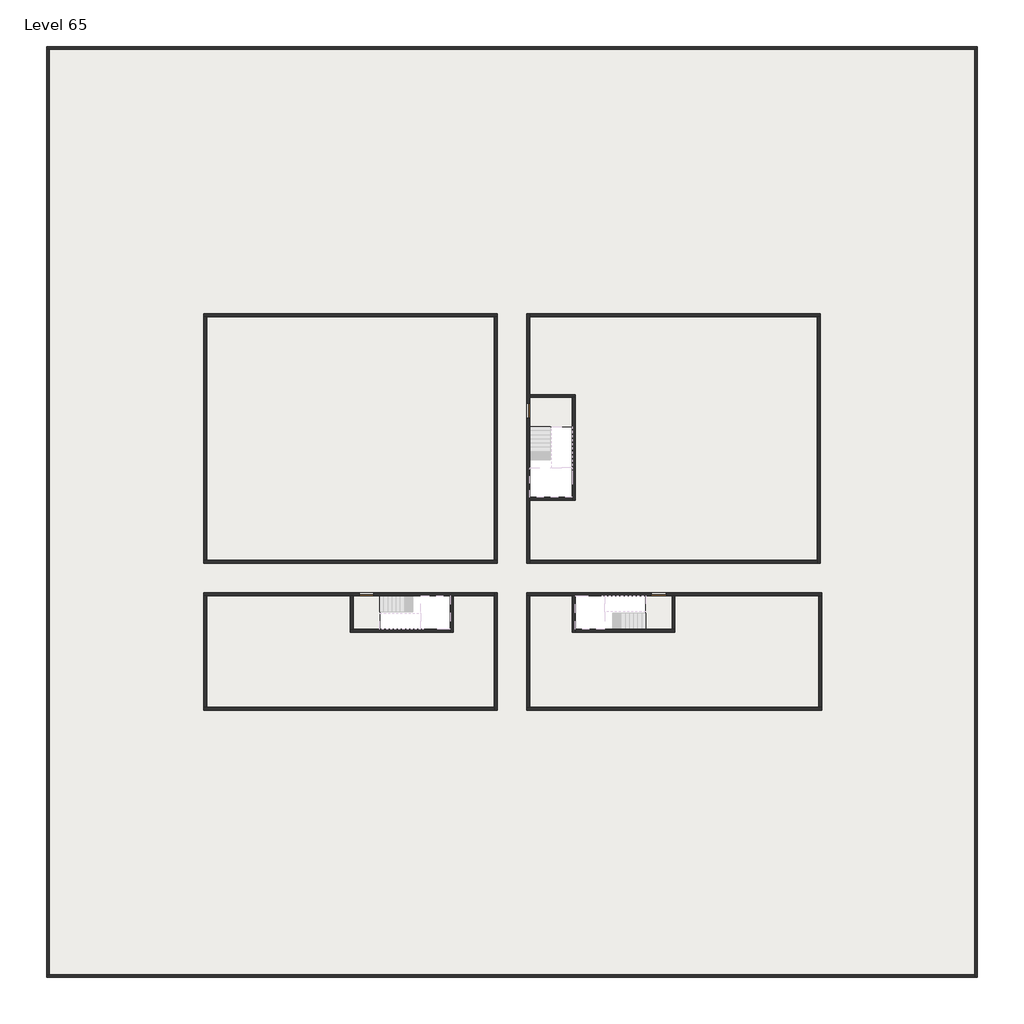
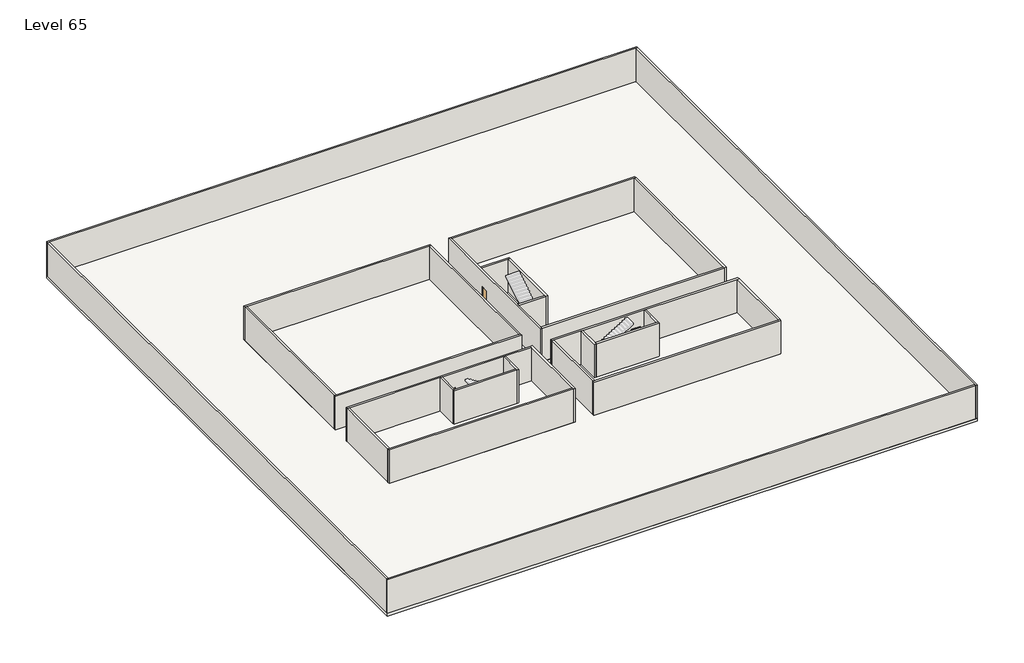
# One storey, part 1 of 2: 29 walls, 3 doors, 3 slabs.
"""IFC4 building model written with IfcOpenShell, lengths in millimetres."""

import ifcopenshell
import ifcopenshell.guid

model = None  # the IFC model being written
_history = None  # IfcOwnerHistory: only IFC2X3 demands one
_inside = {}  # id of a spatial element -> (the spatial element, [elements in it])
_under = {}  # id of a project, library or spatial element -> (it, [spatial elements below it])
_declared = {}  # id of a project -> (the project, [libraries it declares])
_typed = {}  # id of a type object -> (the type object, [elements of that type])
_made_of = {}  # id of a material, layer set ... -> (it, [elements and type objects made of it])


def new_model(schema):
    """Start an empty IFC model of exactly this schema.

    Asked for "IFC4X3", IfcOpenShell would pick the latest addendum, in which some entities
    have other attributes; the version numbers below select the first issue.
    IFC2X3 requires an IfcOwnerHistory on every rooted entity: one is made here for all.
    """
    global model, _history
    if schema == "IFC4X3":
        model = ifcopenshell.file(schema_version=(4, 3, 0, 0))
    else:
        model = ifcopenshell.file(schema=schema)
    _inside.clear()
    _under.clear()
    _declared.clear()
    _typed.clear()
    _made_of.clear()
    _history = None
    if model.schema == "IFC2X3":
        org = make("IfcOrganization", Name="unknown")
        user = make(
            "IfcPersonAndOrganization",
            ThePerson=make("IfcPerson", FamilyName="unknown"),
            TheOrganization=org,
        )
        app = make(
            "IfcApplication",
            ApplicationDeveloper=org,
            Version="unknown",
            ApplicationFullName="unknown",
            ApplicationIdentifier="unknown",
        )
        _history = make(
            "IfcOwnerHistory",
            OwningUser=user,
            OwningApplication=app,
            ChangeAction="ADDED",
            CreationDate=0,
        )
    return model


def make(cls, **values):
    """One entity of the class cls with the attributes given. An attribute that is None is left unset."""
    return model.create_entity(
        cls, **{name: value for name, value in values.items() if value is not None}
    )


def rooted(cls, **values):
    """An entity with a GlobalId (a new one), such as an element, a storey or a relation."""
    return make(cls, GlobalId=ifcopenshell.guid.new(), OwnerHistory=_history, **values)


def si_unit(unit_type, name, prefix=None):
    """IfcSIUnit, for example si_unit("LENGTHUNIT", "METRE", prefix="MILLI")."""
    return make("IfcSIUnit", UnitType=unit_type, Prefix=prefix, Name=name)


def assignment(units):
    """IfcUnitAssignment: the units of a project."""
    return None if units is None else make("IfcUnitAssignment", Units=units)


def point(xyz):
    """IfcCartesianPoint."""
    return None if xyz is None else make("IfcCartesianPoint", Coordinates=xyz)


def direction(xyz):
    """IfcDirection."""
    return None if xyz is None else make("IfcDirection", DirectionRatios=xyz)


def frame(location, z_axis=None, x_axis=None):
    """IfcAxis2Placement3D, a coordinate frame: its origin and axes. An axis left out is left unset."""
    return make(
        "IfcAxis2Placement3D",
        Location=point(location),
        Axis=direction(z_axis),
        RefDirection=direction(x_axis),
    )


def origin():
    """The frame at (0, 0, 0) with its axes left unset."""
    return frame((0.0, 0.0, 0.0))


def origin_with_axes():
    """The frame at (0, 0, 0) with the z axis (0, 0, 1) and the x axis (1, 0, 0) written out."""
    return frame((0.0, 0.0, 0.0), z_axis=(0.0, 0.0, 1.0), x_axis=(1.0, 0.0, 0.0))


def place(relative_to, where):
    """IfcLocalPlacement: puts the frame where relative to a parent placement (None: the world)."""
    return make(
        "IfcLocalPlacement", PlacementRelTo=relative_to, RelativePlacement=where
    )


def context(
    kind, dimensions, precision=None, world=None, true_north=None, identifier=None
):
    """IfcGeometricRepresentationContext, for example the 3D "Model" context."""
    return make(
        "IfcGeometricRepresentationContext",
        ContextIdentifier=identifier,
        ContextType=kind,
        CoordinateSpaceDimension=dimensions,
        Precision=precision,
        WorldCoordinateSystem=world,
        TrueNorth=true_north,
    )


def project(units=None, contexts=None):
    """IfcProject with its units and contexts."""
    return rooted(
        "IfcProject",
        Name="project",
        RepresentationContexts=contexts,
        UnitsInContext=assignment(units),
    )


def spatial(cls, under=None, at=None, **own):
    """A site, building, storey or space (cls), placed at a placement, below another one or the project."""
    s = rooted(cls, ObjectPlacement=at, **own)
    if under is not None:
        _under.setdefault(under.id(), (under, []))[1].append(s)
    return s


def polyline(points):
    """IfcPolyline through the points."""
    return make("IfcPolyline", Points=[point(p) for p in points])


def outline(outer, holes=None, kind="AREA"):
    """IfcArbitraryClosedProfileDef: a profile drawn as a closed curve; with holes, ...WithVoids."""
    if holes is None:
        return make("IfcArbitraryClosedProfileDef", ProfileType=kind, OuterCurve=outer)
    return make(
        "IfcArbitraryProfileDefWithVoids",
        ProfileType=kind,
        OuterCurve=outer,
        InnerCurves=holes,
    )


def extrude(swept, where, along, depth):
    """IfcExtrudedAreaSolid: the profile swept, set in the frame where, extruded along a direction by depth."""
    return make(
        "IfcExtrudedAreaSolid",
        SweptArea=swept,
        Position=where,
        ExtrudedDirection=direction(along),
        Depth=depth,
    )


def faces_of(points, faces, orient=None, outer=None):
    """IfcFace entities. A face is a list of loops; a loop is a list of indices into points, from 0.

    orient and outer hold one flag for each loop. By default every Orientation is true, the
    first loop of a face is its IfcFaceOuterBound and the others are IfcFaceBound.
    """
    made = []
    for i, loops in enumerate(faces):
        bounds = []
        for j, loop in enumerate(loops):
            is_outer = j == 0 if outer is None else outer[i][j]
            bounds.append(
                make(
                    "IfcFaceOuterBound" if is_outer else "IfcFaceBound",
                    Bound=make("IfcPolyLoop", Polygon=[points[k] for k in loop]),
                    Orientation=True if orient is None else orient[i][j],
                )
            )
        made.append(make("IfcFace", Bounds=bounds))
    return made


def faceted_brep(points, faces, orient=None, outer=None, voids=None):
    """IfcFacetedBrep: a solid bounded by flat faces; with voids (closed shells), ...WithVoids."""
    shared = [point(p) for p in points]
    hull = make("IfcClosedShell", CfsFaces=faces_of(shared, faces, orient, outer))
    if voids is None:
        return make("IfcFacetedBrep", Outer=hull)
    return make(
        "IfcFacetedBrepWithVoids",
        Outer=hull,
        Voids=[
            make(cls, CfsFaces=faces_of(shared, fs, o, b)) for cls, fs, o, b in voids
        ],
    )


def shape(context_of_items, identifier, shape_type, items):
    """IfcShapeRepresentation: the items that make up one representation, for example the "Body"."""
    return make(
        "IfcShapeRepresentation",
        ContextOfItems=context_of_items,
        RepresentationIdentifier=identifier,
        RepresentationType=shape_type,
        Items=items,
    )


def source(mapping_origin, context_of_items, identifier, shape_type, items):
    """IfcRepresentationMap: a shape defined once, which mapped items show again and again."""
    return make(
        "IfcRepresentationMap",
        MappingOrigin=mapping_origin,
        MappedRepresentation=shape(context_of_items, identifier, shape_type, items),
    )


def transform(
    local_origin,
    x_axis=None,
    y_axis=None,
    z_axis=None,
    scale=None,
    scale2=None,
    scale3=None,
    uniform=True,
):
    """IfcCartesianTransformationOperator3D, or its non-uniform kind. x_axis, y_axis, z_axis: its Axis1, 2, 3."""
    if uniform:
        return make(
            "IfcCartesianTransformationOperator3D",
            Axis1=direction(x_axis),
            Axis2=direction(y_axis),
            LocalOrigin=point(local_origin),
            Scale=scale,
            Axis3=direction(z_axis),
        )
    return make(
        "IfcCartesianTransformationOperator3DnonUniform",
        Axis1=direction(x_axis),
        Axis2=direction(y_axis),
        LocalOrigin=point(local_origin),
        Scale=scale,
        Axis3=direction(z_axis),
        Scale2=scale2,
        Scale3=scale3,
    )


def mapped(mapping_source, mapping_target):
    """IfcMappedItem: shows the shape of a source again, moved by a transform."""
    return make(
        "IfcMappedItem", MappingSource=mapping_source, MappingTarget=mapping_target
    )


def made_of(thing, what):
    """Note that an element or type object is made of a material, layer set ...; save() writes the relation."""
    if what is not None:
        _made_of.setdefault(what.id(), (what, []))[1].append(thing)
    return thing


def element(
    cls,
    number,
    at=None,
    inside=None,
    cuts=None,
    type_object=None,
    material=None,
    context=None,
    identifier="Body",
    shape_type=None,
    held_by="IfcProductDefinitionShape",
    body=None,
    shapes=None,
    **own,
):
    """One element of the class cls, such as IfcWall. Its Tag is "e" and its number.

    at: its placement. inside: the storey or other place that contains it. cuts: it is an
    opening in that element (IfcRelVoidsElement). A single representation is given by context,
    identifier, shape_type and body (its items); several are given by shapes. held_by: the class
    of the entity that holds the representations. save() writes the other relations.
    """
    e = rooted(cls, Tag="e%d" % number, ObjectPlacement=at, **own)
    if body is not None:
        shapes = [shape(context, identifier, shape_type, body)]
    if shapes is not None:
        e.Representation = make(held_by, Representations=shapes)
    if inside is not None:
        _inside.setdefault(inside.id(), (inside, []))[1].append(e)
    if cuts is not None:
        rooted(
            "IfcRelVoidsElement", RelatingBuildingElement=cuts, RelatedOpeningElement=e
        )
    if type_object is not None:
        _typed.setdefault(type_object.id(), (type_object, []))[1].append(e)
    return made_of(e, material)


def aggregate(whole, parts):
    """IfcRelAggregates: a whole, such as a stair, and the parts it consists of."""
    return rooted("IfcRelAggregates", RelatingObject=whole, RelatedObjects=parts)


def save(model, path):
    """Write the relations noted so far, then the file.

    IfcRelAggregates (storeys below a building ...), IfcRelContainedInSpatialStructure (elements
    in a storey), IfcRelDefinesByType, IfcRelAssociatesMaterial and IfcRelDeclares: one each for
    every whole, place, type object, material and project.
    """
    for whole, parts in _under.values():
        aggregate(whole, parts)
    for where, things in _inside.values():
        rooted(
            "IfcRelContainedInSpatialStructure",
            RelatedElements=things,
            RelatingStructure=where,
        )
    for kind, things in _typed.values():
        rooted("IfcRelDefinesByType", RelatedObjects=things, RelatingType=kind)
    for what, things in _made_of.values():
        rooted("IfcRelAssociatesMaterial", RelatedObjects=things, RelatingMaterial=what)
    for by, libraries in _declared.values():
        rooted("IfcRelDeclares", RelatingContext=by, RelatedDefinitions=libraries)
    model.write(path)


def door_fb3c37fd(model_context):
    return source(origin(), model_context, "Body", "SweptSolid", [
        extrude(outline(polyline([(500.0, 49.0), (-500.0, 49.0), (-500.0, 100.0), (500.0, 100.0), (500.0, 49.0)])), origin_with_axes(), (0.0, 0.0, 1.0), 2100.0),
    ])


def door_0317a72c(model_context):
    return source(origin(), model_context, "Body", "SweptSolid", [
        extrude(outline(polyline([(500.0, -49.0), (500.0, -100.0), (-500.0, -100.0), (-500.0, -49.0), (500.0, -49.0)])), origin_with_axes(), (0.0, 0.0, 1.0), 2100.0),
    ])


model = new_model("IFC4")

# Units and contexts
model_context = context("Model", 3, world=origin())
ifc_project = project(units=[si_unit("LENGTHUNIT", "METRE", prefix="MILLI")], contexts=[model_context])

# Site, building, storey
site = spatial("IfcSite", under=ifc_project)
building = spatial("IfcBuilding", under=site)
storey = spatial("IfcBuildingStorey", under=building, Name="Level 65", Elevation=243200.0)

# Doors
placement = place(None, origin())
door_shape = door_fb3c37fd(model_context)
element("IfcDoor", 1, at=placement, inside=storey, context=model_context, shape_type="MappedRepresentation", body=[
    mapped(door_shape, transform((14290.1058784, -42818.09644, 243200.0), x_axis=(-1.0, 0.0, 0.0), y_axis=(0.0, -1.0, 0.0), z_axis=(0.0, 0.0, 1.0))),
])
door_2_shape = door_0317a72c(model_context)
element("IfcDoor", 2, at=placement, inside=storey, context=model_context, shape_type="MappedRepresentation", body=[
    mapped(door_2_shape, transform((25290.1058784, -30318.09644, 243200.0), x_axis=(0.0, 1.0, 0.0), y_axis=(-1.0, 0.0, 0.0), z_axis=(0.0, 0.0, 1.0))),
])
element("IfcDoor", 3, at=placement, inside=storey, context=model_context, shape_type="MappedRepresentation", body=[
    mapped(door_2_shape, transform((34190.1058784, -42818.09644, 243200.0), x_axis=(1.0, 0.0, 0.0), y_axis=(0.0, 1.0, 0.0), z_axis=(0.0, 0.0, 1.0))),
])

# Slabs
element("IfcSlab", 4, at=placement, inside=storey, context=model_context, shape_type="SweptSolid", body=[
    extrude(outline(polyline([(55890.1058784, -5518.09644), (55890.1058784, -68918.09644), (-7509.8941216, -68918.09644), (-7509.8941216, -5518.09644), (55890.1058784, -5518.09644)]), holes=[polyline([(23190.1058784, -23718.09644), (3190.1058784, -23718.09644), (3190.1058784, -40718.09644), (23190.1058784, -40718.09644), (23190.1058784, -23718.09644)]), polyline([(45190.1058784, -23718.09644), (25190.1058784, -23718.09644), (25190.1058784, -40718.09644), (45190.1058784, -40718.09644), (45190.1058784, -23718.09644)]), polyline([(23190.1058784, -50718.09644), (23190.1058784, -42718.09644), (3390.1058784, -42718.09644), (3390.1058784, -50718.09644), (23190.1058784, -50718.09644)]), polyline([(25190.1058784, -50718.09644), (45190.1058784, -50718.09644), (45190.1058784, -42718.09644), (25190.1058784, -42718.09644), (25190.1058784, -50718.09644)])]), frame((0.0, 0.0, 242900.0), z_axis=(0.0, 0.0, 1.0), x_axis=(1.0, 0.0, 0.0)), (0.0, 0.0, 1.0), 300.0),
])
element("IfcSlab", 5, at=placement, inside=storey, context=model_context, shape_type="SweptSolid", body=[
    extrude(outline(polyline([(22990.1058784, -23918.09644), (22990.1058784, -40518.09644), (3390.1058784, -40518.09644), (3390.1058784, -23918.09644), (22990.1058784, -23918.09644)])), frame((0.0, 0.0, 242900.0), z_axis=(0.0, 0.0, 1.0), x_axis=(1.0, 0.0, 0.0)), (0.0, 0.0, 1.0), 300.0),
    extrude(outline(polyline([(44990.1058784, -23918.09644), (44990.1058784, -40518.09644), (25390.1058784, -40518.09644), (25390.1058784, -36418.09644), (28490.1058784, -36418.09644), (28490.1058784, -29218.09644), (25390.1058784, -29218.09644), (25390.1058784, -23918.09644), (44990.1058784, -23918.09644)])), frame((0.0, 0.0, 242900.0), z_axis=(0.0, 0.0, 1.0), x_axis=(1.0, 0.0, 0.0)), (0.0, 0.0, 1.0), 300.0),
    extrude(outline(polyline([(22990.1058784, -42918.09644), (22990.1058784, -50518.09644), (3390.1058784, -50518.09644), (3390.1058784, -42918.09644), (13190.1058784, -42918.09644), (13190.1058784, -45418.09644), (20190.1058784, -45418.09644), (20190.1058784, -42918.09644), (22990.1058784, -42918.09644)])), frame((0.0, 0.0, 242900.0), z_axis=(0.0, 0.0, 1.0), x_axis=(1.0, 0.0, 0.0)), (0.0, 0.0, 1.0), 300.0),
    extrude(outline(polyline([(28290.1058784, -42918.09644), (28290.1058784, -45418.09644), (35290.1058784, -45418.09644), (35290.1058784, -42918.09644), (45090.1058784, -42918.09644), (45090.1058784, -50518.09644), (25390.1058784, -50518.09644), (25390.1058784, -42918.09644), (28290.1058784, -42918.09644)])), frame((0.0, 0.0, 242900.0), z_axis=(0.0, 0.0, 1.0), x_axis=(1.0, 0.0, 0.0)), (0.0, 0.0, 1.0), 300.0),
])
element("IfcSlab", 6, at=placement, inside=storey, context=model_context, shape_type="SweptSolid", body=[
    extrude(outline(polyline([(25190.1058784, -29418.09644), (28290.1058784, -29418.09644), (28290.1058784, -31418.09644), (25190.1058784, -31418.09644), (25190.1058784, -29418.09644)])), frame((0.0, 0.0, 242900.0), z_axis=(0.0, 0.0, 1.0), x_axis=(1.0, 0.0, 0.0)), (0.0, 0.0, 1.0), 300.0),
    extrude(outline(polyline([(15190.1058784, -45218.09644), (13390.1058784, -45218.09644), (13390.1058784, -42718.09644), (15190.1058784, -42718.09644), (15190.1058784, -45218.09644)])), frame((0.0, 0.0, 242900.0), z_axis=(0.0, 0.0, 1.0), x_axis=(1.0, 0.0, 0.0)), (0.0, 0.0, 1.0), 300.0),
    extrude(outline(polyline([(35090.1058784, -45218.09644), (33290.1058784, -45218.09644), (33290.1058784, -42718.09644), (35090.1058784, -42718.09644), (35090.1058784, -45218.09644)])), frame((0.0, 0.0, 242900.0), z_axis=(0.0, 0.0, 1.0), x_axis=(1.0, 0.0, 0.0)), (0.0, 0.0, 1.0), 300.0),
])

# Walls
element("IfcWall", 7, at=placement, inside=storey, context=model_context, shape_type="Brep", body=[
    faceted_brep([(-7509.8941216, -5718.09644, 243200.0), (-7309.8941216, -5718.09644, 243200.0), (55690.1058784, -5718.09644, 243200.0), (55890.1058784, -5718.09644, 243200.0), (55890.1058784, -5718.09644, 247000.0), (55690.1058784, -5718.09644, 247000.0), (-7309.8941216, -5718.09644, 247000.0), (-7509.8941216, -5718.09644, 247000.0), (-7509.8941216, -5518.09644, 243200.0), (-7509.8941216, -5518.09644, 247000.0), (55890.1058784, -5518.09644, 247000.0), (55890.1058784, -5518.09644, 243200.0)], [[[0, 1, 2, 3, 4, 5, 6, 7]], [[8, 9, 10, 11]], [[3, 2, 1, 0, 8, 11]], [[7, 6, 5, 4, 10, 9]], [[4, 3, 11, 10]], [[0, 7, 9, 8]]]),
])
element("IfcWall", 8, at=placement, inside=storey, context=model_context, shape_type="Brep", body=[
    faceted_brep([(55690.1058784, -5718.09644, 243200.0), (55690.1058784, -68718.09644, 243200.0), (55690.1058784, -68918.09644, 243200.0), (55690.1058784, -68918.09644, 247000.0), (55690.1058784, -68718.09644, 247000.0), (55690.1058784, -5718.09644, 247000.0), (55890.1058784, -5718.09644, 243200.0), (55890.1058784, -5718.09644, 247000.0), (55890.1058784, -68918.09644, 247000.0), (55890.1058784, -68918.09644, 243200.0)], [[[0, 1, 2, 3, 4, 5]], [[6, 7, 8, 9]], [[2, 1, 0, 6, 9]], [[5, 4, 3, 8, 7]], [[0, 5, 7, 6]], [[3, 2, 9, 8]]]),
])
element("IfcWall", 9, at=placement, inside=storey, context=model_context, shape_type="Brep", body=[
    faceted_brep([(55690.1058784, -68718.09644, 243200.0), (-7309.8941216, -68718.09644, 243200.0), (-7509.8941216, -68718.09644, 243200.0), (-7509.8941216, -68718.09644, 247000.0), (-7309.8941216, -68718.09644, 247000.0), (55690.1058784, -68718.09644, 247000.0), (55690.1058784, -68918.09644, 243200.0), (55690.1058784, -68918.09644, 247000.0), (-7509.8941216, -68918.09644, 247000.0), (-7509.8941216, -68918.09644, 243200.0)], [[[0, 1, 2, 3, 4, 5]], [[6, 7, 8, 9]], [[2, 1, 0, 6, 9]], [[5, 4, 3, 8, 7]], [[0, 5, 7, 6]], [[3, 2, 9, 8]]]),
])
element("IfcWall", 10, at=placement, inside=storey, context=model_context, shape_type="SweptSolid", body=[
    extrude(outline(polyline([(-7309.8941216, -5718.09644), (-7309.8941216, -68718.09644), (-7509.8941216, -68718.09644), (-7509.8941216, -5718.09644), (-7309.8941216, -5718.09644)])), frame((0.0, 0.0, 243200.0), z_axis=(0.0, 0.0, 1.0), x_axis=(1.0, 0.0, 0.0)), (0.0, 0.0, 1.0), 3800.0),
])
element("IfcWall", 11, at=placement, inside=storey, context=model_context, shape_type="Brep", body=[
    faceted_brep([(3190.1058784, -23918.09644, 243200.0), (3390.1058784, -23918.09644, 243200.0), (22990.1058784, -23918.09644, 243200.0), (23190.1058784, -23918.09644, 243200.0), (23190.1058784, -23918.09644, 247000.0), (22990.1058784, -23918.09644, 247000.0), (3390.1058784, -23918.09644, 247000.0), (3190.1058784, -23918.09644, 247000.0), (3190.1058784, -23718.09644, 243200.0), (3190.1058784, -23718.09644, 247000.0), (23190.1058784, -23718.09644, 247000.0), (23190.1058784, -23718.09644, 243200.0)], [[[0, 1, 2, 3, 4, 5, 6, 7]], [[8, 9, 10, 11]], [[3, 2, 1, 0, 8, 11]], [[7, 6, 5, 4, 10, 9]], [[0, 7, 9, 8]], [[4, 3, 11, 10]]]),
])
element("IfcWall", 12, at=placement, inside=storey, context=model_context, shape_type="Brep", body=[
    faceted_brep([(44990.1058784, -23918.09644, 243200.0), (44990.1058784, -40518.09644, 243200.0), (44990.1058784, -40718.09644, 243200.0), (44990.1058784, -40718.09644, 247000.0), (44990.1058784, -40518.09644, 247000.0), (44990.1058784, -23918.09644, 247000.0), (45190.1058784, -23918.09644, 243200.0), (45190.1058784, -23918.09644, 247000.0), (45190.1058784, -40718.09644, 247000.0), (45190.1058784, -40718.09644, 243200.0)], [[[0, 1, 2, 3, 4, 5]], [[6, 7, 8, 9]], [[2, 1, 0, 6, 9]], [[5, 4, 3, 8, 7]], [[3, 2, 9, 8]], [[0, 5, 7, 6]]]),
])
element("IfcWall", 13, at=placement, inside=storey, context=model_context, shape_type="Brep", body=[
    faceted_brep([(45290.1058784, -50518.09644, 243200.0), (45090.1058784, -50518.09644, 243200.0), (25390.1058784, -50518.09644, 243200.0), (25190.1058784, -50518.09644, 243200.0), (25190.1058784, -50518.09644, 247000.0), (25390.1058784, -50518.09644, 247000.0), (45090.1058784, -50518.09644, 247000.0), (45290.1058784, -50518.09644, 247000.0), (45290.1058784, -50718.09644, 243200.0), (45290.1058784, -50718.09644, 247000.0), (25190.1058784, -50718.09644, 247000.0), (25190.1058784, -50718.09644, 243200.0)], [[[0, 1, 2, 3, 4, 5, 6, 7]], [[8, 9, 10, 11]], [[3, 2, 1, 0, 8, 11]], [[7, 6, 5, 4, 10, 9]], [[4, 3, 11, 10]], [[0, 7, 9, 8]]]),
])
element("IfcWall", 14, at=placement, inside=storey, context=model_context, shape_type="SweptSolid", body=[
    extrude(outline(polyline([(22990.1058784, -40518.09644), (22990.1058784, -23918.09644), (23190.1058784, -23918.09644), (23190.1058784, -40518.09644), (22990.1058784, -40518.09644)])), frame((0.0, 0.0, 243200.0), z_axis=(0.0, 0.0, 1.0), x_axis=(1.0, 0.0, 0.0)), (0.0, 0.0, 1.0), 3800.0),
])
element("IfcWall", 15, at=placement, inside=storey, context=model_context, shape_type="Brep", body=[
    faceted_brep([(23190.1058784, -40518.09644, 243200.0), (22990.1058784, -40518.09644, 243200.0), (3390.1058784, -40518.09644, 243200.0), (3190.1058784, -40518.09644, 243200.0), (3190.1058784, -40518.09644, 247000.0), (3390.1058784, -40518.09644, 247000.0), (22990.1058784, -40518.09644, 247000.0), (23190.1058784, -40518.09644, 247000.0), (23190.1058784, -40718.09644, 243200.0), (23190.1058784, -40718.09644, 247000.0), (3190.1058784, -40718.09644, 247000.0), (3190.1058784, -40718.09644, 243200.0)], [[[0, 1, 2, 3, 4, 5, 6, 7]], [[8, 9, 10, 11]], [[3, 2, 1, 0, 8, 11]], [[7, 6, 5, 4, 10, 9]], [[4, 3, 11, 10]], [[0, 7, 9, 8]]]),
])
element("IfcWall", 16, at=placement, inside=storey, context=model_context, shape_type="Brep", body=[
    faceted_brep([(3190.1058784, -42918.09644, 243200.0), (3390.1058784, -42918.09644, 243200.0), (13190.1058784, -42918.09644, 243200.0), (13390.1058784, -42918.09644, 243200.0), (13790.1058784, -42918.09644, 243200.0), (13790.1058784, -42918.09644, 245300.0), (14790.1058784, -42918.09644, 245300.0), (14790.1058784, -42918.09644, 243200.0), (19990.1058784, -42918.09644, 243200.0), (20190.1058784, -42918.09644, 243200.0), (22990.1058784, -42918.09644, 243200.0), (22990.1058784, -42918.09644, 247000.0), (20190.1058784, -42918.09644, 247000.0), (19990.1058784, -42918.09644, 247000.0), (13390.1058784, -42918.09644, 247000.0), (13190.1058784, -42918.09644, 247000.0), (3390.1058784, -42918.09644, 247000.0), (3190.1058784, -42918.09644, 247000.0), (13790.1058784, -42718.09644, 245300.0), (13790.1058784, -42718.09644, 243200.0), (3190.1058784, -42718.09644, 243200.0), (3190.1058784, -42718.09644, 247000.0), (22990.1058784, -42718.09644, 247000.0), (22990.1058784, -42718.09644, 243200.0), (14790.1058784, -42718.09644, 243200.0), (14790.1058784, -42718.09644, 245300.0)], [[[0, 1, 2, 3, 4, 5, 6, 7, 8, 9, 10, 11, 12, 13, 14, 15, 16, 17]], [[18, 19, 20, 21, 22, 23, 24, 25]], [[24, 23, 10, 9, 8, 7]], [[20, 19, 4, 3, 2, 1, 0]], [[17, 16, 15, 14, 13, 12, 11, 22, 21]], [[5, 4, 19, 18]], [[6, 5, 18, 25]], [[7, 6, 25, 24]], [[0, 17, 21, 20]], [[11, 10, 23, 22]]]),
])
element("IfcWall", 17, at=placement, inside=storey, context=model_context, shape_type="SweptSolid", body=[
    extrude(outline(polyline([(25390.1058784, -40518.09644), (44990.1058784, -40518.09644), (44990.1058784, -40718.09644), (25390.1058784, -40718.09644), (25390.1058784, -40518.09644)])), frame((0.0, 0.0, 243200.0), z_axis=(0.0, 0.0, 1.0), x_axis=(1.0, 0.0, 0.0)), (0.0, 0.0, 1.0), 3800.0),
])
element("IfcWall", 18, at=placement, inside=storey, context=model_context, shape_type="Brep", body=[
    faceted_brep([(25390.1058784, -29818.09644, 245300.0), (25390.1058784, -29818.09644, 243200.0), (25390.1058784, -29418.09644, 243200.0), (25390.1058784, -29218.09644, 243200.0), (25390.1058784, -23918.09644, 243200.0), (25390.1058784, -23718.09644, 243200.0), (25390.1058784, -23718.09644, 247000.0), (25390.1058784, -23918.09644, 247000.0), (25390.1058784, -29218.09644, 247000.0), (25390.1058784, -29418.09644, 247000.0), (25390.1058784, -36218.09644, 247000.0), (25390.1058784, -36418.09644, 247000.0), (25390.1058784, -40518.09644, 247000.0), (25390.1058784, -40718.09644, 247000.0), (25390.1058784, -40718.09644, 243200.0), (25390.1058784, -40518.09644, 243200.0), (25390.1058784, -36418.09644, 243200.0), (25390.1058784, -36218.09644, 243200.0), (25390.1058784, -30818.09644, 243200.0), (25390.1058784, -30818.09644, 245300.0), (25190.1058784, -23718.09644, 243200.0), (25190.1058784, -29818.09644, 243200.0), (25190.1058784, -29818.09644, 245300.0), (25190.1058784, -30818.09644, 245300.0), (25190.1058784, -30818.09644, 243200.0), (25190.1058784, -40718.09644, 243200.0), (25190.1058784, -40718.09644, 247000.0), (25190.1058784, -23718.09644, 247000.0)], [[[0, 1, 2, 3, 4, 5, 6, 7, 8, 9, 10, 11, 12, 13, 14, 15, 16, 17, 18, 19]], [[20, 21, 22, 23, 24, 25, 26, 27]], [[5, 4, 3, 2, 1, 21, 20]], [[18, 17, 16, 15, 14, 25, 24]], [[13, 12, 11, 10, 9, 8, 7, 6, 27, 26]], [[22, 21, 1, 0]], [[23, 22, 0, 19]], [[24, 23, 19, 18]], [[14, 13, 26, 25]], [[6, 5, 20, 27]]]),
])
element("IfcWall", 19, at=placement, inside=storey, context=model_context, shape_type="SweptSolid", body=[
    extrude(outline(polyline([(3390.1058784, -23918.09644), (3390.1058784, -40518.09644), (3190.1058784, -40518.09644), (3190.1058784, -23918.09644), (3390.1058784, -23918.09644)])), frame((0.0, 0.0, 243200.0), z_axis=(0.0, 0.0, 1.0), x_axis=(1.0, 0.0, 0.0)), (0.0, 0.0, 1.0), 3800.0),
])
element("IfcWall", 20, at=placement, inside=storey, context=model_context, shape_type="Brep", body=[
    faceted_brep([(25390.1058784, -23918.09644, 243200.0), (44990.1058784, -23918.09644, 243200.0), (45190.1058784, -23918.09644, 243200.0), (45190.1058784, -23918.09644, 247000.0), (44990.1058784, -23918.09644, 247000.0), (25390.1058784, -23918.09644, 247000.0), (25390.1058784, -23718.09644, 243200.0), (25390.1058784, -23718.09644, 247000.0), (45190.1058784, -23718.09644, 247000.0), (45190.1058784, -23718.09644, 243200.0)], [[[0, 1, 2, 3, 4, 5]], [[6, 7, 8, 9]], [[2, 1, 0, 6, 9]], [[5, 4, 3, 8, 7]], [[3, 2, 9, 8]], [[0, 5, 7, 6]]]),
])
element("IfcWall", 21, at=placement, inside=storey, context=model_context, shape_type="Brep", body=[
    faceted_brep([(25390.1058784, -29418.09644, 243200.0), (28290.1058784, -29418.09644, 243200.0), (28490.1058784, -29418.09644, 243200.0), (28490.1058784, -29418.09644, 247000.0), (28290.1058784, -29418.09644, 247000.0), (25390.1058784, -29418.09644, 247000.0), (25390.1058784, -29218.09644, 243200.0), (25390.1058784, -29218.09644, 247000.0), (28490.1058784, -29218.09644, 247000.0), (28490.1058784, -29218.09644, 243200.0)], [[[0, 1, 2, 3, 4, 5]], [[6, 7, 8, 9]], [[2, 1, 0, 6, 9]], [[5, 4, 3, 8, 7]], [[3, 2, 9, 8]], [[0, 5, 7, 6]]]),
])
element("IfcWall", 22, at=placement, inside=storey, context=model_context, shape_type="Brep", body=[
    faceted_brep([(28290.1058784, -29418.09644, 243200.0), (28290.1058784, -36218.09644, 243200.0), (28290.1058784, -36418.09644, 243200.0), (28290.1058784, -36418.09644, 247000.0), (28290.1058784, -36218.09644, 247000.0), (28290.1058784, -29418.09644, 247000.0), (28490.1058784, -29418.09644, 243200.0), (28490.1058784, -29418.09644, 247000.0), (28490.1058784, -36418.09644, 247000.0), (28490.1058784, -36418.09644, 243200.0)], [[[0, 1, 2, 3, 4, 5]], [[6, 7, 8, 9]], [[2, 1, 0, 6, 9]], [[5, 4, 3, 8, 7]], [[3, 2, 9, 8]], [[0, 5, 7, 6]]]),
])
element("IfcWall", 23, at=placement, inside=storey, context=model_context, shape_type="SweptSolid", body=[
    extrude(outline(polyline([(25390.1058784, -36218.09644), (28290.1058784, -36218.09644), (28290.1058784, -36418.09644), (25390.1058784, -36418.09644), (25390.1058784, -36218.09644)])), frame((0.0, 0.0, 243200.0), z_axis=(0.0, 0.0, 1.0), x_axis=(1.0, 0.0, 0.0)), (0.0, 0.0, 1.0), 3800.0),
])
element("IfcWall", 24, at=placement, inside=storey, context=model_context, shape_type="SweptSolid", body=[
    extrude(outline(polyline([(25190.1058784, -50518.09644), (25190.1058784, -42918.09644), (25390.1058784, -42918.09644), (25390.1058784, -50518.09644), (25190.1058784, -50518.09644)])), frame((0.0, 0.0, 243200.0), z_axis=(0.0, 0.0, 1.0), x_axis=(1.0, 0.0, 0.0)), (0.0, 0.0, 1.0), 3800.0),
])
element("IfcWall", 25, at=placement, inside=storey, context=model_context, shape_type="Brep", body=[
    faceted_brep([(22990.1058784, -42718.09644, 243200.0), (22990.1058784, -42918.09644, 243200.0), (22990.1058784, -50518.09644, 243200.0), (22990.1058784, -50718.09644, 243200.0), (22990.1058784, -50718.09644, 247000.0), (22990.1058784, -50518.09644, 247000.0), (22990.1058784, -42918.09644, 247000.0), (22990.1058784, -42718.09644, 247000.0), (23190.1058784, -42718.09644, 243200.0), (23190.1058784, -42718.09644, 247000.0), (23190.1058784, -50718.09644, 247000.0), (23190.1058784, -50718.09644, 243200.0)], [[[0, 1, 2, 3, 4, 5, 6, 7]], [[8, 9, 10, 11]], [[3, 2, 1, 0, 8, 11]], [[7, 6, 5, 4, 10, 9]], [[4, 3, 11, 10]], [[0, 7, 9, 8]]]),
])
element("IfcWall", 26, at=placement, inside=storey, context=model_context, shape_type="Brep", body=[
    faceted_brep([(34690.1058784, -42918.09644, 245300.0), (34690.1058784, -42918.09644, 243200.0), (35090.1058784, -42918.09644, 243200.0), (35290.1058784, -42918.09644, 243200.0), (45090.1058784, -42918.09644, 243200.0), (45290.1058784, -42918.09644, 243200.0), (45290.1058784, -42918.09644, 247000.0), (45090.1058784, -42918.09644, 247000.0), (35290.1058784, -42918.09644, 247000.0), (35090.1058784, -42918.09644, 247000.0), (28490.1058784, -42918.09644, 247000.0), (28290.1058784, -42918.09644, 247000.0), (25390.1058784, -42918.09644, 247000.0), (25190.1058784, -42918.09644, 247000.0), (25190.1058784, -42918.09644, 243200.0), (25390.1058784, -42918.09644, 243200.0), (28290.1058784, -42918.09644, 243200.0), (28490.1058784, -42918.09644, 243200.0), (33690.1058784, -42918.09644, 243200.0), (33690.1058784, -42918.09644, 245300.0), (45290.1058784, -42718.09644, 243200.0), (34690.1058784, -42718.09644, 243200.0), (34690.1058784, -42718.09644, 245300.0), (33690.1058784, -42718.09644, 245300.0), (33690.1058784, -42718.09644, 243200.0), (25190.1058784, -42718.09644, 243200.0), (25190.1058784, -42718.09644, 247000.0), (45290.1058784, -42718.09644, 247000.0)], [[[0, 1, 2, 3, 4, 5, 6, 7, 8, 9, 10, 11, 12, 13, 14, 15, 16, 17, 18, 19]], [[20, 21, 22, 23, 24, 25, 26, 27]], [[5, 4, 3, 2, 1, 21, 20]], [[18, 17, 16, 15, 14, 25, 24]], [[13, 12, 11, 10, 9, 8, 7, 6, 27, 26]], [[22, 21, 1, 0]], [[23, 22, 0, 19]], [[24, 23, 19, 18]], [[14, 13, 26, 25]], [[6, 5, 20, 27]]]),
])
element("IfcWall", 27, at=placement, inside=storey, context=model_context, shape_type="Brep", body=[
    faceted_brep([(22990.1058784, -50518.09644, 243200.0), (3390.1058784, -50518.09644, 243200.0), (3190.1058784, -50518.09644, 243200.0), (3190.1058784, -50518.09644, 247000.0), (3390.1058784, -50518.09644, 247000.0), (22990.1058784, -50518.09644, 247000.0), (22990.1058784, -50718.09644, 243200.0), (22990.1058784, -50718.09644, 247000.0), (3190.1058784, -50718.09644, 247000.0), (3190.1058784, -50718.09644, 243200.0)], [[[0, 1, 2, 3, 4, 5]], [[6, 7, 8, 9]], [[2, 1, 0, 6, 9]], [[5, 4, 3, 8, 7]], [[3, 2, 9, 8]], [[0, 5, 7, 6]]]),
])
element("IfcWall", 28, at=placement, inside=storey, context=model_context, shape_type="Brep", body=[
    faceted_brep([(28290.1058784, -42918.09644, 243200.0), (28290.1058784, -45418.09644, 243200.0), (28290.1058784, -45418.09644, 247000.0), (28290.1058784, -42918.09644, 247000.0), (28490.1058784, -42918.09644, 243200.0), (28490.1058784, -42918.09644, 247000.0), (28490.1058784, -45218.09644, 247000.0), (28490.1058784, -45418.09644, 247000.0), (28490.1058784, -45418.09644, 243200.0), (28490.1058784, -45218.09644, 243200.0)], [[[0, 1, 2, 3]], [[4, 5, 6, 7, 8, 9]], [[1, 0, 4, 9, 8]], [[3, 2, 7, 6, 5]], [[2, 1, 8, 7]], [[0, 3, 5, 4]]]),
])
element("IfcWall", 29, at=placement, inside=storey, context=model_context, shape_type="Brep", body=[
    faceted_brep([(28490.1058784, -45418.09644, 243200.0), (35290.1058784, -45418.09644, 243200.0), (35290.1058784, -45418.09644, 247000.0), (28490.1058784, -45418.09644, 247000.0), (28490.1058784, -45218.09644, 243200.0), (28490.1058784, -45218.09644, 247000.0), (35090.1058784, -45218.09644, 247000.0), (35290.1058784, -45218.09644, 247000.0), (35290.1058784, -45218.09644, 243200.0), (35090.1058784, -45218.09644, 243200.0)], [[[0, 1, 2, 3]], [[4, 5, 6, 7, 8, 9]], [[1, 0, 4, 9, 8]], [[3, 2, 7, 6, 5]], [[2, 1, 8, 7]], [[0, 3, 5, 4]]]),
])
element("IfcWall", 30, at=placement, inside=storey, context=model_context, shape_type="SweptSolid", body=[
    extrude(outline(polyline([(35290.1058784, -42918.09644), (35290.1058784, -45218.09644), (35090.1058784, -45218.09644), (35090.1058784, -42918.09644), (35290.1058784, -42918.09644)])), frame((0.0, 0.0, 243200.0), z_axis=(0.0, 0.0, 1.0), x_axis=(1.0, 0.0, 0.0)), (0.0, 0.0, 1.0), 3800.0),
])
element("IfcWall", 31, at=placement, inside=storey, context=model_context, shape_type="Brep", body=[
    faceted_brep([(19990.1058784, -42918.09644, 243200.0), (19990.1058784, -45218.09644, 243200.0), (19990.1058784, -45418.09644, 243200.0), (19990.1058784, -45418.09644, 247000.0), (19990.1058784, -45218.09644, 247000.0), (19990.1058784, -42918.09644, 247000.0), (20190.1058784, -42918.09644, 243200.0), (20190.1058784, -42918.09644, 247000.0), (20190.1058784, -45418.09644, 247000.0), (20190.1058784, -45418.09644, 243200.0)], [[[0, 1, 2, 3, 4, 5]], [[6, 7, 8, 9]], [[2, 1, 0, 6, 9]], [[5, 4, 3, 8, 7]], [[3, 2, 9, 8]], [[0, 5, 7, 6]]]),
])
element("IfcWall", 32, at=placement, inside=storey, context=model_context, shape_type="Brep", body=[
    faceted_brep([(19990.1058784, -45218.09644, 243200.0), (13390.1058784, -45218.09644, 243200.0), (13190.1058784, -45218.09644, 243200.0), (13190.1058784, -45218.09644, 247000.0), (13390.1058784, -45218.09644, 247000.0), (19990.1058784, -45218.09644, 247000.0), (19990.1058784, -45418.09644, 243200.0), (19990.1058784, -45418.09644, 247000.0), (13190.1058784, -45418.09644, 247000.0), (13190.1058784, -45418.09644, 243200.0)], [[[0, 1, 2, 3, 4, 5]], [[6, 7, 8, 9]], [[2, 1, 0, 6, 9]], [[5, 4, 3, 8, 7]], [[0, 5, 7, 6]], [[3, 2, 9, 8]]]),
])
element("IfcWall", 33, at=placement, inside=storey, context=model_context, shape_type="SweptSolid", body=[
    extrude(outline(polyline([(13390.1058784, -42918.09644), (13390.1058784, -45218.09644), (13190.1058784, -45218.09644), (13190.1058784, -42918.09644), (13390.1058784, -42918.09644)])), frame((0.0, 0.0, 243200.0), z_axis=(0.0, 0.0, 1.0), x_axis=(1.0, 0.0, 0.0)), (0.0, 0.0, 1.0), 3800.0),
])
element("IfcWall", 34, at=placement, inside=storey, context=model_context, shape_type="SweptSolid", body=[
    extrude(outline(polyline([(45290.1058784, -42918.09644), (45290.1058784, -50518.09644), (45090.1058784, -50518.09644), (45090.1058784, -42918.09644), (45290.1058784, -42918.09644)])), frame((0.0, 0.0, 243200.0), z_axis=(0.0, 0.0, 1.0), x_axis=(1.0, 0.0, 0.0)), (0.0, 0.0, 1.0), 3800.0),
])
element("IfcWall", 35, at=placement, inside=storey, context=model_context, shape_type="SweptSolid", body=[
    extrude(outline(polyline([(3390.1058784, -42918.09644), (3390.1058784, -50518.09644), (3190.1058784, -50518.09644), (3190.1058784, -42918.09644), (3390.1058784, -42918.09644)])), frame((0.0, 0.0, 243200.0), z_axis=(0.0, 0.0, 1.0), x_axis=(1.0, 0.0, 0.0)), (0.0, 0.0, 1.0), 3800.0),
])

save(model, "model.ifc")
